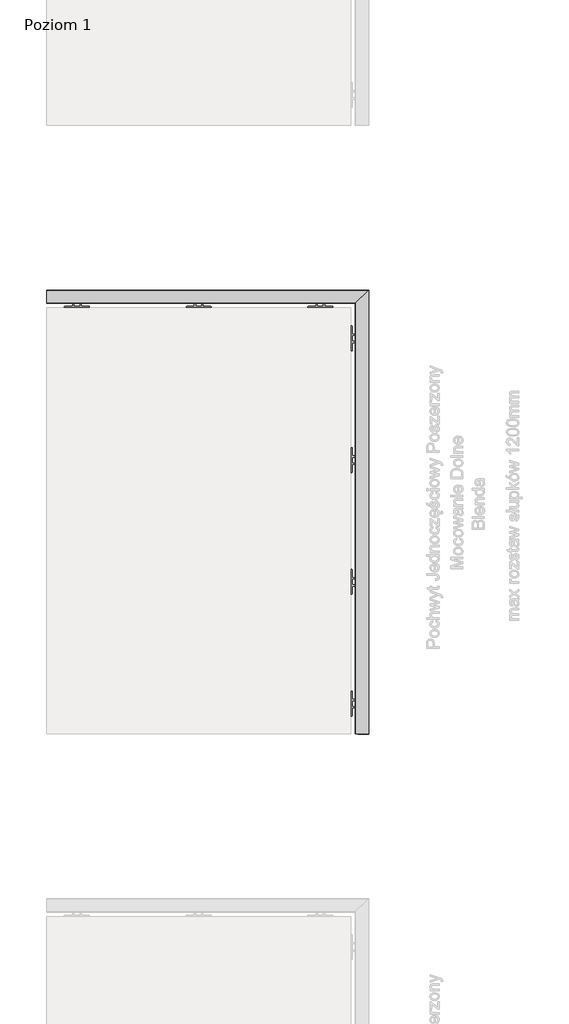
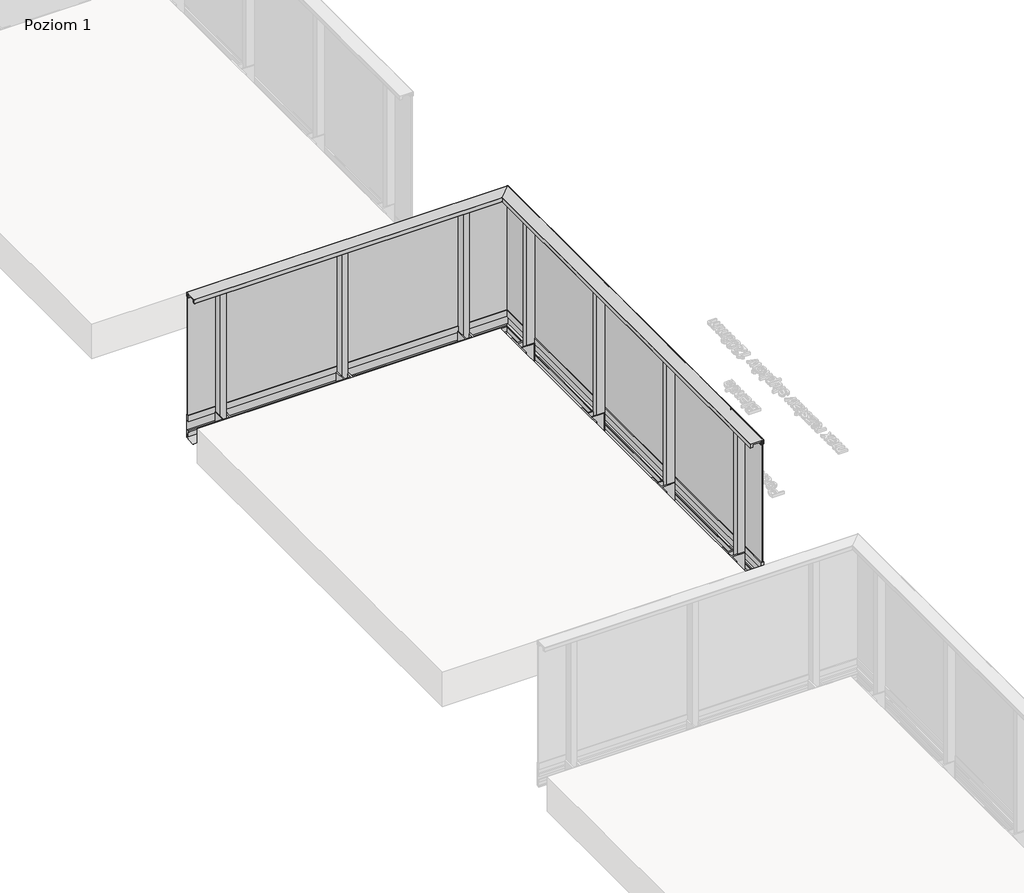
# One storey, part 2 of 35: 1 railing.
"""IFC4 building model written with IfcOpenShell, lengths in millimetres."""

from ifc_helpers import new_model, si_unit, frame, origin, place, context, project, spatial, polyline, circle_curve, ellipse_curve, outline, extrude, faceted_brep, element, save
from ifc_brep_helpers import plane_surface, cylinder_surface, revolved_surface, advanced_brep

model = new_model("IFC4")

# Units and contexts
model_context = context("Model", 3, world=origin())
ifc_project = project(units=[si_unit("LENGTHUNIT", "METRE", prefix="MILLI")], contexts=[model_context])

# Site, building, storey
site = spatial("IfcSite", under=ifc_project)
building = spatial("IfcBuilding", under=site)
storey = spatial("IfcBuildingStorey", under=building, Name="Poziom 1", Elevation=0.0)

# Railing
placement = place(None, origin())
element("IfcRailing", 1, at=placement, inside=storey, context=model_context, shape_type="SolidModel", body=[
    faceted_brep([(4538.3652811, -4629.5008183, 37.0), (4514.3652811, -4629.5008183, 37.0), (4514.3652811, -4629.5008183, -13.0), (4536.3652811, -4629.5008183, -13.0), (4536.3652811, -4629.5008183, -96.9554203), (4518.1832954, -4629.5008183, -96.9554203), (4518.1832954, -4629.5008183, -106.1344716), (4514.6406636, -4629.5008183, -106.1344716), (4514.6406636, -4629.5008183, -143.1624898), (4527.921825, -4629.5008183, -143.1624898), (4527.921825, -4629.5008183, -131.8419804), (4536.0842003, -4629.5008183, -131.8419804), (4536.0842003, -4629.5008183, -161.7741452), (4448.5987124, -4629.5008183, -169.4281336), (4448.7730238, -4629.5008183, -171.420523), (4538.3652811, -4629.5008183, -163.5822161), (4538.3652811, -982.117534, 37.0), (4514.3652811, -1006.117534, 37.0), (4514.3652811, -1006.117534, -13.0), (4536.3652811, -984.117534, -13.0), (4536.3652811, -984.117534, -96.9554203), (4518.1832954, -1002.2995197, -96.9554203), (4518.1832954, -1002.2995197, -106.1344716), (4514.6406636, -1005.8421514, -106.1344716), (4514.6406636, -1005.8421514, -143.1624898), (4527.921825, -992.5609901, -143.1624898), (4527.921825, -992.5609901, -131.8419804), (4536.0842003, -984.3986147, -131.8419804), (4536.0842003, -984.3986147, -161.7741452), (4448.5987124, -1071.8841027, -169.4281336), (4448.7730238, -1071.7097912, -171.420523), (4538.3652811, -982.117534, -163.5822161), (1890.9819967, -982.117534, 37.0), (1890.9819967, -982.117534, -163.5822161), (1890.9819967, -1071.7097912, -171.420523), (1890.9819967, -1071.8841027, -169.4281336), (1890.9819967, -984.3986147, -161.7741452), (1890.9819967, -984.3986147, -131.8419804), (1890.9819967, -992.5609901, -131.8419804), (1890.9819967, -992.5609901, -143.1624898), (1890.9819967, -1005.8421514, -143.1624898), (1890.9819967, -1005.8421514, -106.1344716), (1890.9819967, -1002.2995197, -106.1344716), (1890.9819967, -1002.2995197, -96.9554203), (1890.9819967, -984.117534, -96.9554203), (1890.9819967, -984.117534, -13.0), (1890.9819967, -1006.117534, -13.0), (1890.9819967, -1006.117534, 37.0)], [[[0, 1, 2, 3, 4, 5, 6, 7, 8, 9, 10, 11, 12, 13, 14, 15]], [[1, 0, 16, 17]], [[2, 1, 17, 18]], [[3, 2, 18, 19]], [[4, 3, 19, 20]], [[5, 4, 20, 21]], [[6, 5, 21, 22]], [[7, 6, 22, 23]], [[8, 7, 23, 24]], [[9, 8, 24, 25]], [[10, 9, 25, 26]], [[11, 10, 26, 27]], [[12, 11, 27, 28]], [[13, 12, 28, 29]], [[14, 13, 29, 30]], [[15, 14, 30, 31]], [[0, 15, 31, 16]], [[32, 33, 34, 35, 36, 37, 38, 39, 40, 41, 42, 43, 44, 45, 46, 47]], [[17, 16, 32, 47]], [[18, 17, 47, 46]], [[19, 18, 46, 45]], [[20, 19, 45, 44]], [[21, 20, 44, 43]], [[22, 21, 43, 42]], [[23, 22, 42, 41]], [[24, 23, 41, 40]], [[25, 24, 40, 39]], [[26, 25, 39, 38]], [[27, 26, 38, 37]], [[28, 27, 37, 36]], [[29, 28, 36, 35]], [[30, 29, 35, 34]], [[31, 30, 34, 33]], [[16, 31, 33, 32]]]),
    advanced_brep(
    [(4428.5014149, -4629.5008183, 1100.0), (4428.0014149, -4629.5008183, 1099.5), (4428.0014149, -4629.5008183, 1065.5384355), (4428.5014149, -4629.5008183, 1065.0384355), (4447.9566873, -4629.5008183, 1065.0384355), (4447.9566873, -4629.5008183, 1088.0384355), (4513.9566873, -4629.5008183, 1088.0384355), (4513.9566873, -4629.5008183, 1065.0590672), (4516.7566873, -4629.5008183, 1065.0590672), (4516.7566873, -4629.5008183, 1066.2590672), (4515.9566873, -4629.5008183, 1066.2590672), (4515.9566873, -4629.5008183, 1097.5), (4516.4566873, -4629.5008183, 1098.0), (4533.4625786, -4629.5008183, 1098.0), (4533.9625786, -4629.5008183, 1097.5), (4533.9625786, -4629.5008183, 1066.2590672), (4533.1625786, -4629.5008183, 1066.2590672), (4533.1625786, -4629.5008183, 1065.0590672), (4537.4625786, -4629.5008183, 1065.0590672), (4537.9625786, -4629.5008183, 1065.5590672), (4537.9625786, -4629.5008183, 1099.5), (4537.4625786, -4629.5008183, 1100.0), (4428.5014149, -1091.9814002, 1100.0), (4428.0014149, -1092.4814002, 1099.5), (4428.0014149, -1092.4814002, 1065.5384355), (4428.5014149, -1091.9814002, 1065.0384355), (4447.9566873, -1072.5261277, 1065.0384355), (4447.9566873, -1072.5261277, 1088.0384355), (4513.9566873, -1006.5261277, 1088.0384355), (4513.9566873, -1006.5261277, 1065.0590672), (4516.7566873, -1003.7261277, 1065.0590672), (4516.7566873, -1003.7261277, 1066.2590672), (4515.9566873, -1004.5261277, 1066.2590672), (4515.9566873, -1004.5261277, 1097.5), (4516.4566873, -1004.0261277, 1098.0), (4533.4625786, -987.0202365, 1098.0), (4533.9625786, -986.5202365, 1097.5), (4533.9625786, -986.5202365, 1066.2590672), (4533.1625786, -987.3202365, 1066.2590672), (4533.1625786, -987.3202365, 1065.0590672), (4537.4625786, -983.0202365, 1065.0590672), (4537.9625786, -982.5202365, 1065.5590672), (4537.9625786, -982.5202365, 1099.5), (4537.4625786, -983.0202365, 1100.0), (1890.9819967, -1091.9814002, 1100.0), (1890.9819967, -983.0202365, 1100.0), (1890.9819967, -982.5202365, 1099.5), (1890.9819967, -982.5202365, 1065.5590672), (1890.9819967, -983.0202365, 1065.0590672), (1890.9819967, -987.3202365, 1065.0590672), (1890.9819967, -987.3202365, 1066.2590672), (1890.9819967, -986.5202365, 1066.2590672), (1890.9819967, -986.5202365, 1097.5), (1890.9819967, -987.0202365, 1098.0), (1890.9819967, -1004.0261277, 1098.0), (1890.9819967, -1004.5261277, 1097.5), (1890.9819967, -1004.5261277, 1066.2590672), (1890.9819967, -1003.7261277, 1066.2590672), (1890.9819967, -1003.7261277, 1065.0590672), (1890.9819967, -1006.5261277, 1065.0590672), (1890.9819967, -1006.5261277, 1088.0384355), (1890.9819967, -1072.5261277, 1088.0384355), (1890.9819967, -1072.5261277, 1065.0384355), (1890.9819967, -1091.9814002, 1065.0384355), (1890.9819967, -1092.4814002, 1065.5384355), (1890.9819967, -1092.4814002, 1099.5)],
    [
        (0, 1, circle_curve(frame((4428.5014149, -4629.5008183, 1099.5), z_axis=(0.0, -1.0, 0.0), x_axis=(1.0, 0.0, 0.0)), 0.5)),
        (1, 2),
        (2, 3, circle_curve(frame((4428.5014149, -4629.5008183, 1065.5384355), z_axis=(0.0, -1.0, 0.0), x_axis=(1.0, 0.0, 0.0)), 0.5)),
        (3, 4),
        (4, 5),
        (5, 6),
        (6, 7),
        (7, 8),
        (8, 9),
        (9, 10),
        (10, 11),
        (11, 12, circle_curve(frame((4516.4566873, -4629.5008183, 1097.5), z_axis=(0.0, 1.0, 0.0), x_axis=(1.0, 0.0, 0.0)), 0.5)),
        (12, 13),
        (13, 14, circle_curve(frame((4533.4625786, -4629.5008183, 1097.5), z_axis=(0.0, 1.0, 0.0), x_axis=(1.0, 0.0, 0.0)), 0.5)),
        (14, 15),
        (15, 16),
        (16, 17),
        (17, 18),
        (18, 19, circle_curve(frame((4537.4625786, -4629.5008183, 1065.5590672), z_axis=(0.0, -1.0, 0.0), x_axis=(1.0, 0.0, 0.0)), 0.5)),
        (19, 20),
        (20, 21, circle_curve(frame((4537.4625786, -4629.5008183, 1099.5), z_axis=(0.0, -1.0, 0.0), x_axis=(1.0, 0.0, 0.0)), 0.5)),
        (21, 0),
        (0, 22),
        (22, 23, ellipse_curve(frame((4428.5014149, -1091.9814002, 1099.5), z_axis=(0.7071067811865467, -0.7071067811865482, 0.0), x_axis=(-0.7071067811865482, -0.7071067811865469, 0.0)), 0.7071068, 0.5)),
        (23, 1),
        (23, 24),
        (24, 2),
        (24, 25, ellipse_curve(frame((4428.5014149, -1091.9814002, 1065.5384355), z_axis=(0.7071067811865467, -0.7071067811865482, 0.0), x_axis=(-0.7071067811865482, -0.7071067811865469, 0.0)), 0.7071068, 0.5)),
        (25, 3),
        (25, 26),
        (26, 4),
        (26, 27),
        (27, 5),
        (27, 28),
        (28, 6),
        (28, 29),
        (29, 7),
        (29, 30),
        (30, 8),
        (30, 31),
        (31, 9),
        (31, 32),
        (32, 10),
        (32, 33),
        (33, 11),
        (33, 34, ellipse_curve(frame((4516.4566873, -1004.0261277, 1097.5), z_axis=(-0.7071067811865467, 0.7071067811865482, 0.0), x_axis=(0.7071067811865482, 0.7071067811865469, 0.0)), 0.7071068, 0.5)),
        (34, 12),
        (34, 35),
        (35, 13),
        (35, 36, ellipse_curve(frame((4533.4625786, -987.0202365, 1097.5), z_axis=(-0.7071067811865467, 0.7071067811865482, 0.0), x_axis=(0.7071067811865482, 0.7071067811865469, 0.0)), 0.7071068, 0.5)),
        (36, 14),
        (36, 37),
        (37, 15),
        (37, 38),
        (38, 16),
        (38, 39),
        (39, 17),
        (39, 40),
        (40, 18),
        (40, 41, ellipse_curve(frame((4537.4625786, -983.0202365, 1065.5590672), z_axis=(0.7071067811865467, -0.7071067811865482, 0.0), x_axis=(-0.7071067811865482, -0.7071067811865469, 0.0)), 0.7071068, 0.5)),
        (41, 19),
        (41, 42),
        (42, 20),
        (42, 43, ellipse_curve(frame((4537.4625786, -983.0202365, 1099.5), z_axis=(0.7071067811865467, -0.7071067811865482, 0.0), x_axis=(-0.7071067811865482, -0.7071067811865469, 0.0)), 0.7071068, 0.5)),
        (43, 21),
        (43, 22),
        (44, 45),
        (45, 46, circle_curve(frame((1890.9819967, -983.0202365, 1099.5), z_axis=(-1.0, 0.0, 0.0), x_axis=(0.0, 1.0, 0.0)), 0.5)),
        (46, 47),
        (47, 48, circle_curve(frame((1890.9819967, -983.0202365, 1065.5590672), z_axis=(-1.0, 0.0, 0.0), x_axis=(0.0, 1.0, 0.0)), 0.5)),
        (48, 49),
        (49, 50),
        (50, 51),
        (51, 52),
        (52, 53, circle_curve(frame((1890.9819967, -987.0202365, 1097.5), z_axis=(1.0, 0.0, 0.0), x_axis=(0.0, 1.0, 0.0)), 0.5)),
        (53, 54),
        (54, 55, circle_curve(frame((1890.9819967, -1004.0261277, 1097.5), z_axis=(1.0, 0.0, 0.0), x_axis=(0.0, 1.0, 0.0)), 0.5)),
        (55, 56),
        (56, 57),
        (57, 58),
        (58, 59),
        (59, 60),
        (60, 61),
        (61, 62),
        (62, 63),
        (63, 64, circle_curve(frame((1890.9819967, -1091.9814002, 1065.5384355), z_axis=(-1.0, 0.0, 0.0), x_axis=(0.0, 1.0, 0.0)), 0.5)),
        (64, 65),
        (65, 44, circle_curve(frame((1890.9819967, -1091.9814002, 1099.5), z_axis=(-1.0, 0.0, 0.0), x_axis=(0.0, 1.0, 0.0)), 0.5)),
        (22, 44),
        (65, 23),
        (64, 24),
        (63, 25),
        (62, 26),
        (61, 27),
        (60, 28),
        (59, 29),
        (58, 30),
        (57, 31),
        (56, 32),
        (55, 33),
        (54, 34),
        (53, 35),
        (52, 36),
        (51, 37),
        (50, 38),
        (49, 39),
        (48, 40),
        (47, 41),
        (46, 42),
        (45, 43),
    ],
    [
        plane_surface(frame((4482.9819967, -4629.5008183, 1100.0), z_axis=(0.0, -1.0, 0.0), x_axis=(0.0, 0.0, 1.0))),
        cylinder_surface(frame((4428.5014149, -4629.5008183, 1099.5), z_axis=(0.0, -1.0, 0.0), x_axis=(1.0, 0.0, 0.0)), 0.5),
        plane_surface(frame((4428.0014149, -4629.5008183, 1099.5), z_axis=(-1.0, 0.0, 0.0), x_axis=(0.0, 1.0, 0.0))),
        cylinder_surface(frame((4428.5014149, -4629.5008183, 1065.5384355), z_axis=(0.0, -1.0, 0.0), x_axis=(1.0, 0.0, 0.0)), 0.5),
        plane_surface(frame((4428.5014149, -4629.5008183, 1065.0384355), z_axis=(0.0, 0.0, -1.0), x_axis=(0.0, 1.0, 0.0))),
        plane_surface(frame((4447.9566873, -4629.5008183, 1065.0384355), z_axis=(1.0, 0.0, 0.0), x_axis=(0.0, 1.0, 0.0))),
        plane_surface(frame((4447.9566873, -4629.5008183, 1088.0384355), z_axis=(0.0, 0.0, -1.0), x_axis=(0.0, 1.0, 0.0))),
        plane_surface(frame((4513.9566873, -4629.5008183, 1088.0384355), z_axis=(-1.0, 0.0, 0.0), x_axis=(0.0, 1.0, 0.0))),
        plane_surface(frame((4513.9566873, -4629.5008183, 1065.0590672), z_axis=(0.0, 0.0, -1.0), x_axis=(0.0, 1.0, 0.0))),
        plane_surface(frame((4516.7566873, -4629.5008183, 1065.0590672), z_axis=(1.0, 0.0, 0.0), x_axis=(0.0, 1.0, 0.0))),
        plane_surface(frame((4516.7566873, -4629.5008183, 1066.2590672), z_axis=(0.0, 0.0, 1.0), x_axis=(0.0, 1.0, 0.0))),
        plane_surface(frame((4515.9566873, -4629.5008183, 1066.2590672), z_axis=(1.0, 0.0, 0.0), x_axis=(0.0, 1.0, 0.0))),
        revolved_surface(polyline([(4516.9566873, -1003.5261276866968, 1097.5), (4516.9566873, -4629.5008183, 1097.5)]), (4516.4566873, -4629.5008183, 1097.5), (0.0, 1.0, 0.0)),
        plane_surface(frame((4516.4566873, -4629.5008183, 1098.0), z_axis=(0.0, 0.0, -1.0), x_axis=(0.0, 1.0, 0.0))),
        revolved_surface(polyline([(4533.9625786, -986.5202364866968, 1097.5), (4533.9625786, -4629.5008183, 1097.5)]), (4533.4625786, -4629.5008183, 1097.5), (0.0, 1.0, 0.0)),
        plane_surface(frame((4533.9625786, -4629.5008183, 1097.5), z_axis=(-1.0, 0.0, 0.0), x_axis=(0.0, 1.0, 0.0))),
        plane_surface(frame((4533.9625786, -4629.5008183, 1066.2590672), z_axis=(0.0, 0.0, 1.0), x_axis=(0.0, 1.0, 0.0))),
        plane_surface(frame((4533.1625786, -4629.5008183, 1066.2590672), z_axis=(-1.0, 0.0, 0.0), x_axis=(0.0, 1.0, 0.0))),
        plane_surface(frame((4533.1625786, -4629.5008183, 1065.0590672), z_axis=(0.0, 0.0, -1.0), x_axis=(0.0, 1.0, 0.0))),
        cylinder_surface(frame((4537.4625786, -4629.5008183, 1065.5590672), z_axis=(0.0, -1.0, 0.0), x_axis=(1.0, 0.0, 0.0)), 0.5),
        plane_surface(frame((4537.9625786, -4629.5008183, 1065.5590672), z_axis=(1.0, 0.0, 0.0), x_axis=(0.0, 1.0, 0.0))),
        cylinder_surface(frame((4537.4625786, -4629.5008183, 1099.5), z_axis=(0.0, -1.0, 0.0), x_axis=(1.0, 0.0, 0.0)), 0.5),
        plane_surface(frame((4537.4625786, -4629.5008183, 1100.0), z_axis=(0.0, 0.0, 1.0), x_axis=(0.0, 1.0, 0.0))),
        plane_surface(frame((1890.9819967, -1037.5008183, 1100.0), z_axis=(-1.0, 0.0, 0.0), x_axis=(0.0, -1.0, 0.0))),
        cylinder_surface(frame((4482.9819967, -1091.9814002, 1099.5), z_axis=(1.0, 0.0, 0.0), x_axis=(0.0, 1.0, 0.0)), 0.5),
        plane_surface(frame((4428.0014149, -1092.4814002, 1099.5), z_axis=(0.0, -1.0, 0.0), x_axis=(-1.0, 0.0, 0.0))),
        cylinder_surface(frame((4482.9819967, -1091.9814002, 1065.5384355), z_axis=(1.0, 0.0, 0.0), x_axis=(0.0, 1.0, 0.0)), 0.5),
        plane_surface(frame((4428.5014149, -1091.9814002, 1065.0384355), z_axis=(0.0, 0.0, -1.0), x_axis=(-1.0, 0.0, 0.0))),
        plane_surface(frame((4447.9566873, -1072.5261277, 1065.0384355), z_axis=(0.0, 1.0, 0.0), x_axis=(-1.0, 0.0, 0.0))),
        plane_surface(frame((4447.9566873, -1072.5261277, 1088.0384355), z_axis=(0.0, 0.0, -1.0), x_axis=(-1.0, 0.0, 0.0))),
        plane_surface(frame((4513.9566873, -1006.5261277, 1088.0384355), z_axis=(0.0, -1.0, 0.0), x_axis=(-1.0, 0.0, 0.0))),
        plane_surface(frame((4513.9566873, -1006.5261277, 1065.0590672), z_axis=(0.0, 0.0, -1.0), x_axis=(-1.0, 0.0, 0.0))),
        plane_surface(frame((4516.7566873, -1003.7261277, 1065.0590672), z_axis=(0.0, 1.0, 0.0), x_axis=(-1.0, 0.0, 0.0))),
        plane_surface(frame((4516.7566873, -1003.7261277, 1066.2590672), z_axis=(0.0, 0.0, 1.0), x_axis=(-1.0, 0.0, 0.0))),
        plane_surface(frame((4515.9566873, -1004.5261277, 1066.2590672), z_axis=(0.0, 1.0, 0.0), x_axis=(-1.0, 0.0, 0.0))),
        revolved_surface(polyline([(1890.9819967000003, -1003.5261277, 1097.5), (4516.9566873133035, -1003.5261277, 1097.5)]), (4482.9819967, -1004.0261277, 1097.5), (-1.0, 0.0, 0.0)),
        plane_surface(frame((4516.4566873, -1004.0261277, 1098.0), z_axis=(0.0, 0.0, -1.0), x_axis=(-1.0, 0.0, 0.0))),
        revolved_surface(polyline([(1890.9819967000003, -986.5202365, 1097.5), (4533.962578613303, -986.5202365, 1097.5)]), (4482.9819967, -987.0202365, 1097.5), (-1.0, 0.0, 0.0)),
        plane_surface(frame((4533.9625786, -986.5202365, 1097.5), z_axis=(0.0, -1.0, 0.0), x_axis=(-1.0, 0.0, 0.0))),
        plane_surface(frame((4533.9625786, -986.5202365, 1066.2590672), z_axis=(0.0, 0.0, 1.0), x_axis=(-1.0, 0.0, 0.0))),
        plane_surface(frame((4533.1625786, -987.3202365, 1066.2590672), z_axis=(0.0, -1.0, 0.0), x_axis=(-1.0, 0.0, 0.0))),
        plane_surface(frame((4533.1625786, -987.3202365, 1065.0590672), z_axis=(0.0, 0.0, -1.0), x_axis=(-1.0, 0.0, 0.0))),
        cylinder_surface(frame((4482.9819967, -983.0202365, 1065.5590672), z_axis=(1.0, 0.0, 0.0), x_axis=(0.0, 1.0, 0.0)), 0.5),
        plane_surface(frame((4537.9625786, -982.5202365, 1065.5590672), z_axis=(0.0, 1.0, 0.0), x_axis=(-1.0, 0.0, 0.0))),
        cylinder_surface(frame((4482.9819967, -983.0202365, 1099.5), z_axis=(1.0, 0.0, 0.0), x_axis=(0.0, 1.0, 0.0)), 0.5),
        plane_surface(frame((4537.4625786, -983.0202365, 1100.0), z_axis=(0.0, 0.0, 1.0), x_axis=(-1.0, 0.0, 0.0))),
    ],
    [
        (0, [[1, 2, 3, 4, 5, 6, 7, 8, 9, 10, 11, 12, 13, 14, 15, 16, 17, 18, 19, 20, 21, 22]]),
        (1, [[-1, 23, 24, 25]]),
        (2, [[-2, -25, 26, 27]]),
        (3, [[-3, -27, 28, 29]]),
        (4, [[-4, -29, 30, 31]]),
        (5, [[-5, -31, 32, 33]]),
        (6, [[-6, -33, 34, 35]]),
        (7, [[-7, -35, 36, 37]]),
        (8, [[-8, -37, 38, 39]]),
        (9, [[-9, -39, 40, 41]]),
        (10, [[-10, -41, 42, 43]]),
        (11, [[-11, -43, 44, 45]]),
        (12, [[-12, -45, 46, 47]]),
        (13, [[-13, -47, 48, 49]]),
        (14, [[-14, -49, 50, 51]]),
        (15, [[-15, -51, 52, 53]]),
        (16, [[-16, -53, 54, 55]]),
        (17, [[-17, -55, 56, 57]]),
        (18, [[-18, -57, 58, 59]]),
        (19, [[-19, -59, 60, 61]]),
        (20, [[-20, -61, 62, 63]]),
        (21, [[-21, -63, 64, 65]]),
        (22, [[-22, -65, 66, -23]]),
        (23, [[67, 68, 69, 70, 71, 72, 73, 74, 75, 76, 77, 78, 79, 80, 81, 82, 83, 84, 85, 86, 87, 88]]),
        (24, [[-24, 89, -88, 90]]),
        (25, [[-26, -90, -87, 91]]),
        (26, [[-28, -91, -86, 92]]),
        (27, [[-30, -92, -85, 93]]),
        (28, [[-32, -93, -84, 94]]),
        (29, [[-34, -94, -83, 95]]),
        (30, [[-36, -95, -82, 96]]),
        (31, [[-38, -96, -81, 97]]),
        (32, [[-40, -97, -80, 98]]),
        (33, [[-42, -98, -79, 99]]),
        (34, [[-44, -99, -78, 100]]),
        (35, [[-46, -100, -77, 101]]),
        (36, [[-48, -101, -76, 102]]),
        (37, [[-50, -102, -75, 103]]),
        (38, [[-52, -103, -74, 104]]),
        (39, [[-54, -104, -73, 105]]),
        (40, [[-56, -105, -72, 106]]),
        (41, [[-58, -106, -71, 107]]),
        (42, [[-60, -107, -70, 108]]),
        (43, [[-62, -108, -69, 109]]),
        (44, [[-64, -109, -68, 110]]),
        (45, [[-66, -110, -67, -89]]),
    ],
),
    faceted_brep([(4529.9819967, -4629.5008183, 1087.0), (4521.9819967, -4629.5008183, 1087.0), (4521.9819967, -4629.5008183, 37.0), (4529.9819967, -4629.5008183, 37.0), (4529.9819967, -990.5008183, 1087.0), (4521.9819967, -998.5008183, 1087.0), (4521.9819967, -998.5008183, 37.0), (4529.9819967, -990.5008183, 37.0), (1890.9819967, -990.5008183, 1087.0), (1890.9819967, -990.5008183, 37.0), (1890.9819967, -998.5008183, 37.0), (1890.9819967, -998.5008183, 1087.0)], [[[0, 1, 2, 3]], [[1, 0, 4, 5]], [[2, 1, 5, 6]], [[3, 2, 6, 7]], [[0, 3, 7, 4]], [[8, 9, 10, 11]], [[5, 4, 8, 11]], [[6, 5, 11, 10]], [[7, 6, 10, 9]], [[4, 7, 9, 8]]]),
    faceted_brep([(4516.6692541, -4629.5008183, 1065.2160621), (4515.6441664, -4629.5008183, 1065.2160621), (4515.6441664, -4629.5008183, 1063.6627783), (4521.9819967, -4629.5008183, 1061.8454347), (4521.9819967, -4629.5008183, 1072.0), (4516.6692541, -4629.5008183, 1074.1464874), (4516.6692541, -1003.813561, 1065.2160621), (4515.6441664, -1004.8386487, 1065.2160621), (4515.6441664, -1004.8386487, 1063.6627783), (4521.9819967, -998.5008183, 1061.8454347), (4521.9819967, -998.5008183, 1072.0), (4516.6692541, -1003.813561, 1074.1464874), (1890.9819967, -1003.813561, 1065.2160621), (1890.9819967, -1003.813561, 1074.1464874), (1890.9819967, -998.5008183, 1072.0), (1890.9819967, -998.5008183, 1061.8454347), (1890.9819967, -1004.8386487, 1063.6627783), (1890.9819967, -1004.8386487, 1065.2160621)], [[[0, 1, 2, 3, 4, 5]], [[1, 0, 6, 7]], [[2, 1, 7, 8]], [[3, 2, 8, 9]], [[4, 3, 9, 10]], [[5, 4, 10, 11]], [[0, 5, 11, 6]], [[12, 13, 14, 15, 16, 17]], [[7, 6, 12, 17]], [[8, 7, 17, 16]], [[9, 8, 16, 15]], [[10, 9, 15, 14]], [[11, 10, 14, 13]], [[6, 11, 13, 12]]]),
    faceted_brep([(4535.2947394, -4629.5008183, 1065.2160621), (4535.2947394, -4629.5008183, 1074.1464874), (4529.9819967, -4629.5008183, 1072.0), (4529.9819967, -4629.5008183, 1061.8454347), (4536.3198271, -4629.5008183, 1063.6627783), (4536.3198271, -4629.5008183, 1065.2160621), (4535.2947394, -985.1880757, 1065.2160621), (4535.2947394, -985.1880757, 1074.1464874), (4529.9819967, -990.5008183, 1072.0), (4529.9819967, -990.5008183, 1061.8454347), (4536.3198271, -984.162988, 1063.6627783), (4536.3198271, -984.162988, 1065.2160621), (1890.9819967, -985.1880757, 1065.2160621), (1890.9819967, -984.162988, 1065.2160621), (1890.9819967, -984.162988, 1063.6627783), (1890.9819967, -990.5008183, 1061.8454347), (1890.9819967, -990.5008183, 1072.0), (1890.9819967, -985.1880757, 1074.1464874)], [[[0, 1, 2, 3, 4, 5]], [[1, 0, 6, 7]], [[2, 1, 7, 8]], [[3, 2, 8, 9]], [[4, 3, 9, 10]], [[5, 4, 10, 11]], [[0, 5, 11, 6]], [[12, 13, 14, 15, 16, 17]], [[7, 6, 12, 17]], [[8, 7, 17, 16]], [[9, 8, 16, 15]], [[10, 9, 15, 14]], [[11, 10, 14, 13]], [[6, 11, 13, 12]]]),
    extrude(outline(polyline([(2115.9819967, -1071.5008183), (2115.9819967, -1006.5008183), (2165.9819967, -1006.5008183), (2165.9819967, -1071.5008183), (2115.9819967, -1071.5008183)])), frame((0.0, 0.0, -162.0), z_axis=(0.0, 0.0, 1.0), x_axis=(1.0, 0.0, 0.0)), (0.0, 0.0, 1.0), 1250.0384355),
    extrude(outline(polyline([(2038.4819967, -1129.5008183), (2038.4819967, -1120.3292455), (2041.3104239, -1117.5008183), (2105.9612097, -1117.5008183), (2105.9612097, -1014.5637744), (2109.4872118, -1009.5281216), (2115.9612097, -1009.5281216), (2115.9612097, -1117.5008183), (2166.0027837, -1117.5008183), (2166.0027837, -1009.5281216), (2172.4767816, -1009.5281216), (2176.0027837, -1014.5637744), (2176.0027837, -1117.5008183), (2240.6535696, -1117.5008183), (2243.4819967, -1120.3292455), (2243.4819967, -1129.5008183), (2038.4819967, -1129.5008183)])), frame((0.0, 0.0, -152.0), z_axis=(0.0, 0.0, 1.0), x_axis=(1.0, 0.0, 0.0)), (0.0, 0.0, 1.0), 150.0),
    extrude(outline(polyline([(3115.9819967, -1071.5008183), (3115.9819967, -1006.5008183), (3165.9819967, -1006.5008183), (3165.9819967, -1071.5008183), (3115.9819967, -1071.5008183)])), frame((0.0, 0.0, -162.0), z_axis=(0.0, 0.0, 1.0), x_axis=(1.0, 0.0, 0.0)), (0.0, 0.0, 1.0), 1250.0384355),
    extrude(outline(polyline([(3038.4819967, -1129.5008183), (3038.4819967, -1120.3292455), (3041.3104239, -1117.5008183), (3105.9612097, -1117.5008183), (3105.9612097, -1014.5637744), (3109.4872118, -1009.5281216), (3115.9612097, -1009.5281216), (3115.9612097, -1117.5008183), (3166.0027837, -1117.5008183), (3166.0027837, -1009.5281216), (3172.4767816, -1009.5281216), (3176.0027837, -1014.5637744), (3176.0027837, -1117.5008183), (3240.6535696, -1117.5008183), (3243.4819967, -1120.3292455), (3243.4819967, -1129.5008183), (3038.4819967, -1129.5008183)])), frame((0.0, 0.0, -152.0), z_axis=(0.0, 0.0, 1.0), x_axis=(1.0, 0.0, 0.0)), (0.0, 0.0, 1.0), 150.0),
    extrude(outline(polyline([(4115.9819967, -1071.5008183), (4115.9819967, -1006.5008183), (4165.9819967, -1006.5008183), (4165.9819967, -1071.5008183), (4115.9819967, -1071.5008183)])), frame((0.0, 0.0, -162.0), z_axis=(0.0, 0.0, 1.0), x_axis=(1.0, 0.0, 0.0)), (0.0, 0.0, 1.0), 1250.0384355),
    extrude(outline(polyline([(4038.4819967, -1129.5008183), (4038.4819967, -1120.3292455), (4041.3104239, -1117.5008183), (4105.9612097, -1117.5008183), (4105.9612097, -1014.5637744), (4109.4872118, -1009.5281216), (4115.9612097, -1009.5281216), (4115.9612097, -1117.5008183), (4166.0027837, -1117.5008183), (4166.0027837, -1009.5281216), (4172.4767816, -1009.5281216), (4176.0027837, -1014.5637744), (4176.0027837, -1117.5008183), (4240.6535696, -1117.5008183), (4243.4819967, -1120.3292455), (4243.4819967, -1129.5008183), (4038.4819967, -1129.5008183)])), frame((0.0, 0.0, -152.0), z_axis=(0.0, 0.0, 1.0), x_axis=(1.0, 0.0, 0.0)), (0.0, 0.0, 1.0), 150.0),
    extrude(outline(polyline([(4448.9819967, -1354.5008183), (4513.9819967, -1354.5008183), (4513.9819967, -1404.5008183), (4448.9819967, -1404.5008183), (4448.9819967, -1354.5008183)])), frame((0.0, 0.0, -162.0), z_axis=(0.0, 0.0, 1.0), x_axis=(1.0, 0.0, 0.0)), (0.0, 0.0, 1.0), 1250.0384355),
    extrude(outline(polyline([(4390.9819967, -1277.0008183), (4400.1535696, -1277.0008183), (4402.9819967, -1279.8292455), (4402.9819967, -1344.4800313), (4505.9190406, -1344.4800313), (4510.9546935, -1348.0060334), (4510.9546935, -1354.4800313), (4402.9819967, -1354.4800313), (4402.9819967, -1404.5216053), (4510.9546935, -1404.5216053), (4510.9546935, -1410.9956032), (4505.9190406, -1414.5216053), (4402.9819967, -1414.5216053), (4402.9819967, -1479.1723912), (4400.1535696, -1482.0008183), (4390.9819967, -1482.0008183), (4390.9819967, -1277.0008183)])), frame((0.0, 0.0, -152.0), z_axis=(0.0, 0.0, 1.0), x_axis=(1.0, 0.0, 0.0)), (0.0, 0.0, 1.0), 150.0),
    extrude(outline(polyline([(4448.9819967, -2354.5008183), (4513.9819967, -2354.5008183), (4513.9819967, -2404.5008183), (4448.9819967, -2404.5008183), (4448.9819967, -2354.5008183)])), frame((0.0, 0.0, -162.0), z_axis=(0.0, 0.0, 1.0), x_axis=(1.0, 0.0, 0.0)), (0.0, 0.0, 1.0), 1250.0384355),
    extrude(outline(polyline([(4390.9819967, -2277.0008183), (4400.1535696, -2277.0008183), (4402.9819967, -2279.8292455), (4402.9819967, -2344.4800313), (4505.9190406, -2344.4800313), (4510.9546935, -2348.0060334), (4510.9546935, -2354.4800313), (4402.9819967, -2354.4800313), (4402.9819967, -2404.5216053), (4510.9546935, -2404.5216053), (4510.9546935, -2410.9956032), (4505.9190406, -2414.5216053), (4402.9819967, -2414.5216053), (4402.9819967, -2479.1723912), (4400.1535696, -2482.0008183), (4390.9819967, -2482.0008183), (4390.9819967, -2277.0008183)])), frame((0.0, 0.0, -152.0), z_axis=(0.0, 0.0, 1.0), x_axis=(1.0, 0.0, 0.0)), (0.0, 0.0, 1.0), 150.0),
    extrude(outline(polyline([(4448.9819967, -3354.5008183), (4513.9819967, -3354.5008183), (4513.9819967, -3404.5008183), (4448.9819967, -3404.5008183), (4448.9819967, -3354.5008183)])), frame((0.0, 0.0, -162.0), z_axis=(0.0, 0.0, 1.0), x_axis=(1.0, 0.0, 0.0)), (0.0, 0.0, 1.0), 1250.0384355),
    extrude(outline(polyline([(4390.9819967, -3277.0008183), (4400.1535696, -3277.0008183), (4402.9819967, -3279.8292455), (4402.9819967, -3344.4800313), (4505.9190406, -3344.4800313), (4510.9546935, -3348.0060334), (4510.9546935, -3354.4800313), (4402.9819967, -3354.4800313), (4402.9819967, -3404.5216053), (4510.9546935, -3404.5216053), (4510.9546935, -3410.9956032), (4505.9190406, -3414.5216053), (4402.9819967, -3414.5216053), (4402.9819967, -3479.1723912), (4400.1535696, -3482.0008183), (4390.9819967, -3482.0008183), (4390.9819967, -3277.0008183)])), frame((0.0, 0.0, -152.0), z_axis=(0.0, 0.0, 1.0), x_axis=(1.0, 0.0, 0.0)), (0.0, 0.0, 1.0), 150.0),
    extrude(outline(polyline([(4448.9819967, -4354.5008183), (4513.9819967, -4354.5008183), (4513.9819967, -4404.5008183), (4448.9819967, -4404.5008183), (4448.9819967, -4354.5008183)])), frame((0.0, 0.0, -162.0), z_axis=(0.0, 0.0, 1.0), x_axis=(1.0, 0.0, 0.0)), (0.0, 0.0, 1.0), 1250.0384355),
    extrude(outline(polyline([(4390.9819967, -4277.0008183), (4400.1535696, -4277.0008183), (4402.9819967, -4279.8292455), (4402.9819967, -4344.4800313), (4505.9190406, -4344.4800313), (4510.9546935, -4348.0060334), (4510.9546935, -4354.4800313), (4402.9819967, -4354.4800313), (4402.9819967, -4404.5216053), (4510.9546935, -4404.5216053), (4510.9546935, -4410.9956032), (4505.9190406, -4414.5216053), (4402.9819967, -4414.5216053), (4402.9819967, -4479.1723912), (4400.1535696, -4482.0008183), (4390.9819967, -4482.0008183), (4390.9819967, -4277.0008183)])), frame((0.0, 0.0, -152.0), z_axis=(0.0, 0.0, 1.0), x_axis=(1.0, 0.0, 0.0)), (0.0, 0.0, 1.0), 150.0),
    extrude(outline(polyline([(2115.9819967, -1071.5008183), (2115.9819967, -1006.5008183), (2165.9819967, -1006.5008183), (2165.9819967, -1071.5008183), (2115.9819967, -1071.5008183)])), frame((0.0, 0.0, -162.0), z_axis=(0.0, 0.0, 1.0), x_axis=(1.0, 0.0, 0.0)), (0.0, 0.0, 1.0), 1250.0384355),
    extrude(outline(polyline([(2038.4819967, -1129.5008183), (2038.4819967, -1120.3292455), (2041.3104239, -1117.5008183), (2105.9612097, -1117.5008183), (2105.9612097, -1014.5637744), (2109.4872118, -1009.5281216), (2115.9612097, -1009.5281216), (2115.9612097, -1117.5008183), (2166.0027837, -1117.5008183), (2166.0027837, -1009.5281216), (2172.4767816, -1009.5281216), (2176.0027837, -1014.5637744), (2176.0027837, -1117.5008183), (2240.6535696, -1117.5008183), (2243.4819967, -1120.3292455), (2243.4819967, -1129.5008183), (2038.4819967, -1129.5008183)])), frame((0.0, 0.0, -152.0), z_axis=(0.0, 0.0, 1.0), x_axis=(1.0, 0.0, 0.0)), (0.0, 0.0, 1.0), 150.0),
    extrude(outline(polyline([(4448.9819967, -4354.5008183), (4513.9819967, -4354.5008183), (4513.9819967, -4404.5008183), (4448.9819967, -4404.5008183), (4448.9819967, -4354.5008183)])), frame((0.0, 0.0, -162.0), z_axis=(0.0, 0.0, 1.0), x_axis=(1.0, 0.0, 0.0)), (0.0, 0.0, 1.0), 1250.0384355),
    extrude(outline(polyline([(4390.9819967, -4277.0008183), (4400.1535696, -4277.0008183), (4402.9819967, -4279.8292455), (4402.9819967, -4344.4800313), (4505.9190406, -4344.4800313), (4510.9546935, -4348.0060334), (4510.9546935, -4354.4800313), (4402.9819967, -4354.4800313), (4402.9819967, -4404.5216053), (4510.9546935, -4404.5216053), (4510.9546935, -4410.9956032), (4505.9190406, -4414.5216053), (4402.9819967, -4414.5216053), (4402.9819967, -4479.1723912), (4400.1535696, -4482.0008183), (4390.9819967, -4482.0008183), (4390.9819967, -4277.0008183)])), frame((0.0, 0.0, -152.0), z_axis=(0.0, 0.0, 1.0), x_axis=(1.0, 0.0, 0.0)), (0.0, 0.0, 1.0), 150.0),
])

save(model, "model.ifc")
